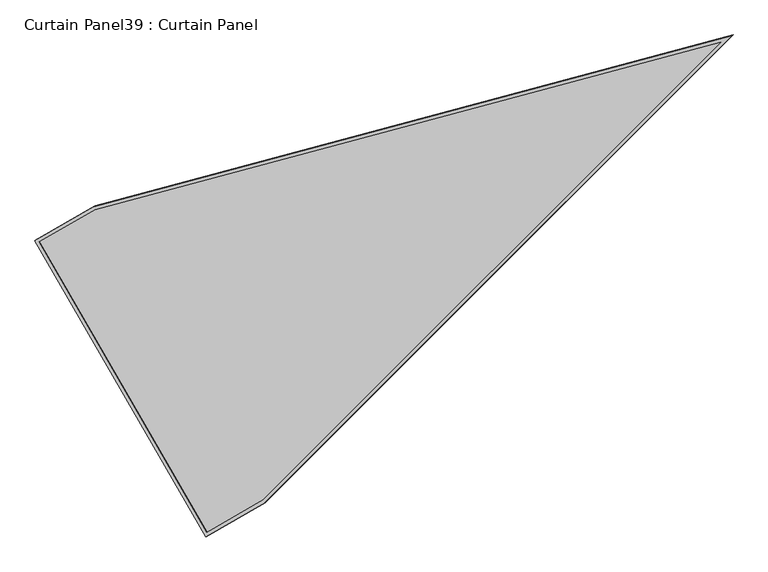
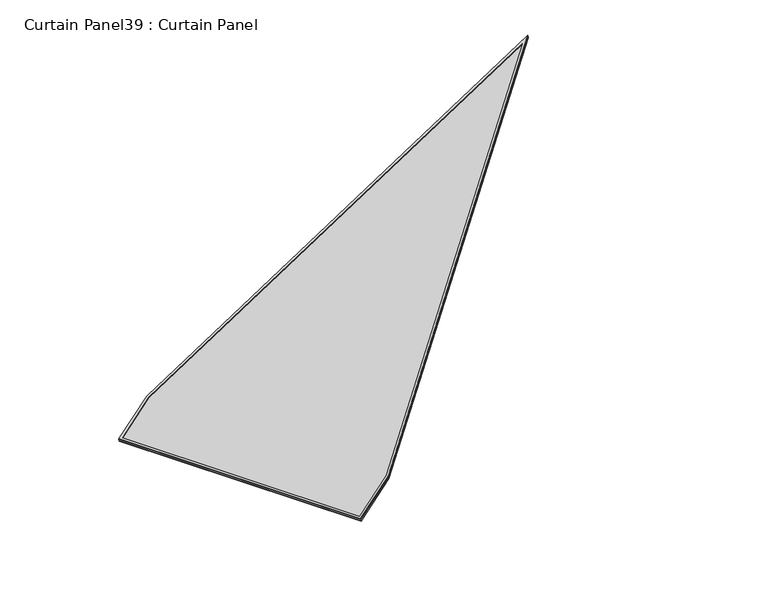
"""IFC4 building model written with IfcOpenShell, lengths in millimetres: plate geometry, Curtain Panel39 : Curtain Panel."""

import ifcopenshell
import ifcopenshell.guid

model = None  # the IFC model being written
_history = None  # IfcOwnerHistory: only IFC2X3 demands one
_inside = {}  # id of a spatial element -> (the spatial element, [elements in it])
_under = {}  # id of a project, library or spatial element -> (it, [spatial elements below it])
_declared = {}  # id of a project -> (the project, [libraries it declares])
_typed = {}  # id of a type object -> (the type object, [elements of that type])
_made_of = {}  # id of a material, layer set ... -> (it, [elements and type objects made of it])


def new_model(schema):
    """Start an empty IFC model of exactly this schema.

    Asked for "IFC4X3", IfcOpenShell would pick the latest addendum, in which some entities
    have other attributes; the version numbers below select the first issue.
    IFC2X3 requires an IfcOwnerHistory on every rooted entity: one is made here for all.
    """
    global model, _history
    if schema == "IFC4X3":
        model = ifcopenshell.file(schema_version=(4, 3, 0, 0))
    else:
        model = ifcopenshell.file(schema=schema)
    _inside.clear()
    _under.clear()
    _declared.clear()
    _typed.clear()
    _made_of.clear()
    _history = None
    if model.schema == "IFC2X3":
        org = make("IfcOrganization", Name="unknown")
        user = make(
            "IfcPersonAndOrganization",
            ThePerson=make("IfcPerson", FamilyName="unknown"),
            TheOrganization=org,
        )
        app = make(
            "IfcApplication",
            ApplicationDeveloper=org,
            Version="unknown",
            ApplicationFullName="unknown",
            ApplicationIdentifier="unknown",
        )
        _history = make(
            "IfcOwnerHistory",
            OwningUser=user,
            OwningApplication=app,
            ChangeAction="ADDED",
            CreationDate=0,
        )
    return model


def make(cls, **values):
    """One entity of the class cls with the attributes given. An attribute that is None is left unset."""
    return model.create_entity(
        cls, **{name: value for name, value in values.items() if value is not None}
    )


def rooted(cls, **values):
    """An entity with a GlobalId (a new one), such as an element, a storey or a relation."""
    return make(cls, GlobalId=ifcopenshell.guid.new(), OwnerHistory=_history, **values)


def si_unit(unit_type, name, prefix=None):
    """IfcSIUnit, for example si_unit("LENGTHUNIT", "METRE", prefix="MILLI")."""
    return make("IfcSIUnit", UnitType=unit_type, Prefix=prefix, Name=name)


def assignment(units):
    """IfcUnitAssignment: the units of a project."""
    return None if units is None else make("IfcUnitAssignment", Units=units)


def point(xyz):
    """IfcCartesianPoint."""
    return None if xyz is None else make("IfcCartesianPoint", Coordinates=xyz)


def direction(xyz):
    """IfcDirection."""
    return None if xyz is None else make("IfcDirection", DirectionRatios=xyz)


def frame(location, z_axis=None, x_axis=None):
    """IfcAxis2Placement3D, a coordinate frame: its origin and axes. An axis left out is left unset."""
    return make(
        "IfcAxis2Placement3D",
        Location=point(location),
        Axis=direction(z_axis),
        RefDirection=direction(x_axis),
    )


def origin():
    """The frame at (0, 0, 0) with its axes left unset."""
    return frame((0.0, 0.0, 0.0))


def place(relative_to, where):
    """IfcLocalPlacement: puts the frame where relative to a parent placement (None: the world)."""
    return make(
        "IfcLocalPlacement", PlacementRelTo=relative_to, RelativePlacement=where
    )


def context(
    kind, dimensions, precision=None, world=None, true_north=None, identifier=None
):
    """IfcGeometricRepresentationContext, for example the 3D "Model" context."""
    return make(
        "IfcGeometricRepresentationContext",
        ContextIdentifier=identifier,
        ContextType=kind,
        CoordinateSpaceDimension=dimensions,
        Precision=precision,
        WorldCoordinateSystem=world,
        TrueNorth=true_north,
    )


def project(units=None, contexts=None):
    """IfcProject with its units and contexts."""
    return rooted(
        "IfcProject",
        Name="project",
        RepresentationContexts=contexts,
        UnitsInContext=assignment(units),
    )


def spatial(cls, under=None, at=None, **own):
    """A site, building, storey or space (cls), placed at a placement, below another one or the project."""
    s = rooted(cls, ObjectPlacement=at, **own)
    if under is not None:
        _under.setdefault(under.id(), (under, []))[1].append(s)
    return s


def polyline(points):
    """IfcPolyline through the points."""
    return make("IfcPolyline", Points=[point(p) for p in points])


def outline(outer, holes=None, kind="AREA"):
    """IfcArbitraryClosedProfileDef: a profile drawn as a closed curve; with holes, ...WithVoids."""
    if holes is None:
        return make("IfcArbitraryClosedProfileDef", ProfileType=kind, OuterCurve=outer)
    return make(
        "IfcArbitraryProfileDefWithVoids",
        ProfileType=kind,
        OuterCurve=outer,
        InnerCurves=holes,
    )


def extrude(swept, where, along, depth):
    """IfcExtrudedAreaSolid: the profile swept, set in the frame where, extruded along a direction by depth."""
    return make(
        "IfcExtrudedAreaSolid",
        SweptArea=swept,
        Position=where,
        ExtrudedDirection=direction(along),
        Depth=depth,
    )


def shape(context_of_items, identifier, shape_type, items):
    """IfcShapeRepresentation: the items that make up one representation, for example the "Body"."""
    return make(
        "IfcShapeRepresentation",
        ContextOfItems=context_of_items,
        RepresentationIdentifier=identifier,
        RepresentationType=shape_type,
        Items=items,
    )


def source(mapping_origin, context_of_items, identifier, shape_type, items):
    """IfcRepresentationMap: a shape defined once, which mapped items show again and again."""
    return make(
        "IfcRepresentationMap",
        MappingOrigin=mapping_origin,
        MappedRepresentation=shape(context_of_items, identifier, shape_type, items),
    )


def transform(
    local_origin,
    x_axis=None,
    y_axis=None,
    z_axis=None,
    scale=None,
    scale2=None,
    scale3=None,
    uniform=True,
):
    """IfcCartesianTransformationOperator3D, or its non-uniform kind. x_axis, y_axis, z_axis: its Axis1, 2, 3."""
    if uniform:
        return make(
            "IfcCartesianTransformationOperator3D",
            Axis1=direction(x_axis),
            Axis2=direction(y_axis),
            LocalOrigin=point(local_origin),
            Scale=scale,
            Axis3=direction(z_axis),
        )
    return make(
        "IfcCartesianTransformationOperator3DnonUniform",
        Axis1=direction(x_axis),
        Axis2=direction(y_axis),
        LocalOrigin=point(local_origin),
        Scale=scale,
        Axis3=direction(z_axis),
        Scale2=scale2,
        Scale3=scale3,
    )


def mapped(mapping_source, mapping_target):
    """IfcMappedItem: shows the shape of a source again, moved by a transform."""
    return make(
        "IfcMappedItem", MappingSource=mapping_source, MappingTarget=mapping_target
    )


def made_of(thing, what):
    """Note that an element or type object is made of a material, layer set ...; save() writes the relation."""
    if what is not None:
        _made_of.setdefault(what.id(), (what, []))[1].append(thing)
    return thing


def element(
    cls,
    number,
    at=None,
    inside=None,
    cuts=None,
    type_object=None,
    material=None,
    context=None,
    identifier="Body",
    shape_type=None,
    held_by="IfcProductDefinitionShape",
    body=None,
    shapes=None,
    **own,
):
    """One element of the class cls, such as IfcWall. Its Tag is "e" and its number.

    at: its placement. inside: the storey or other place that contains it. cuts: it is an
    opening in that element (IfcRelVoidsElement). A single representation is given by context,
    identifier, shape_type and body (its items); several are given by shapes. held_by: the class
    of the entity that holds the representations. save() writes the other relations.
    """
    e = rooted(cls, Tag="e%d" % number, ObjectPlacement=at, **own)
    if body is not None:
        shapes = [shape(context, identifier, shape_type, body)]
    if shapes is not None:
        e.Representation = make(held_by, Representations=shapes)
    if inside is not None:
        _inside.setdefault(inside.id(), (inside, []))[1].append(e)
    if cuts is not None:
        rooted(
            "IfcRelVoidsElement", RelatingBuildingElement=cuts, RelatedOpeningElement=e
        )
    if type_object is not None:
        _typed.setdefault(type_object.id(), (type_object, []))[1].append(e)
    return made_of(e, material)


def aggregate(whole, parts):
    """IfcRelAggregates: a whole, such as a stair, and the parts it consists of."""
    return rooted("IfcRelAggregates", RelatingObject=whole, RelatedObjects=parts)


def save(model, path):
    """Write the relations noted so far, then the file.

    IfcRelAggregates (storeys below a building ...), IfcRelContainedInSpatialStructure (elements
    in a storey), IfcRelDefinesByType, IfcRelAssociatesMaterial and IfcRelDeclares: one each for
    every whole, place, type object, material and project.
    """
    for whole, parts in _under.values():
        aggregate(whole, parts)
    for where, things in _inside.values():
        rooted(
            "IfcRelContainedInSpatialStructure",
            RelatedElements=things,
            RelatingStructure=where,
        )
    for kind, things in _typed.values():
        rooted("IfcRelDefinesByType", RelatedObjects=things, RelatingType=kind)
    for what, things in _made_of.values():
        rooted("IfcRelAssociatesMaterial", RelatedObjects=things, RelatingMaterial=what)
    for by, libraries in _declared.values():
        rooted("IfcRelDeclares", RelatingContext=by, RelatedDefinitions=libraries)
    model.write(path)


def curtain_panel39_curtain_panel_c7640b04(model_context):
    return source(origin(), model_context, "Body", "SweptSolid", [
        extrude(outline(polyline([(847.4221257, -3689.2216538), (0.0, -355.6208678), (0.0, 0.0), (1694.8442516, 0.0), (1694.8442516, -355.6208678), (847.4221257, -3689.2216538)]), holes=[polyline([(1678.1814537, -16.6627978), (16.6627978, -16.6627979), (16.6627978, -353.5361265), (847.4221258, -3621.5885695), (1678.1814537, -353.5361264), (1678.1814537, -16.6627978)])]), frame((9632.3973408, -1174.5668537, 1932.1006431), z_axis=(-0.27379031486168115, -0.15807291198690165, 0.9487106081329137), x_axis=(-0.499999999999994, 0.8660254037844421, 0.0)), (0.0, 0.0, 1.0), 4.8325478),
        extrude(outline(polyline([(847.4221258, -3689.2216539), (0.0, -355.6208679), (0.0, 0.0), (1694.8442516, 0.0), (1694.8442516, -355.6208679), (847.4221258, -3689.2216539)]), holes=[polyline([(1684.5314537, -10.3127979), (10.3127979, -10.3127979), (10.3127979, -354.3305974), (847.4221258, -3647.3627576), (1684.5314538, -354.3305974), (1684.5314537, -10.3127979)])]), frame((9637.2232257, -1171.7806278, 1915.3784729), z_axis=(-0.27379031486168864, -0.15807291198690612, 0.9487106081329106), x_axis=(-0.49999999999999434, 0.8660254037844419, 0.0)), (0.0, 0.0, 1.0), 4.8220694),
        extrude(outline(polyline([(12.7000001, 0.0), (1707.5442516, 0.0), (1707.5442516, -355.6208679), (860.1221258, -3689.221654), (12.7, -355.6208679), (12.7000001, 0.0)])), frame((9642.2529898, -1183.541389, 1919.9532213), z_axis=(-0.27379031486168026, -0.15807291198690104, 0.9487106081329141), x_axis=(-0.49999999999999384, 0.8660254037844421, 0.0)), (0.0, 0.0, 1.0), 12.8041382),
    ])


if __name__ == "__main__":
    model = new_model("IFC4")
    model_context = context("Model", 3, world=origin())
    ifc_project = project(units=[si_unit("LENGTHUNIT", "METRE", prefix="MILLI")], contexts=[model_context])
    site = spatial("IfcSite", under=ifc_project)
    building = spatial("IfcBuilding", under=site)
    placement = place(None, origin())
    curtain_panel39_curtain_panel_shape = curtain_panel39_curtain_panel_c7640b04(model_context)
    element("IfcPlate", 1, ObjectType="Curtain Panel39 : Curtain Panel", at=placement, inside=building, context=model_context, shape_type="MappedRepresentation", body=[
        mapped(curtain_panel39_curtain_panel_shape, transform((0.0, 0.0, 0.0), x_axis=(1.0, 0.0, 0.0), y_axis=(0.0, 1.0, 0.0), z_axis=(0.0, 0.0, 1.0))),
    ])
    save(model, "model.ifc")
